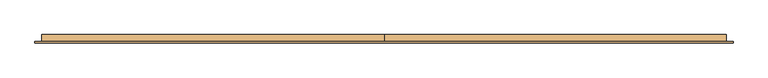
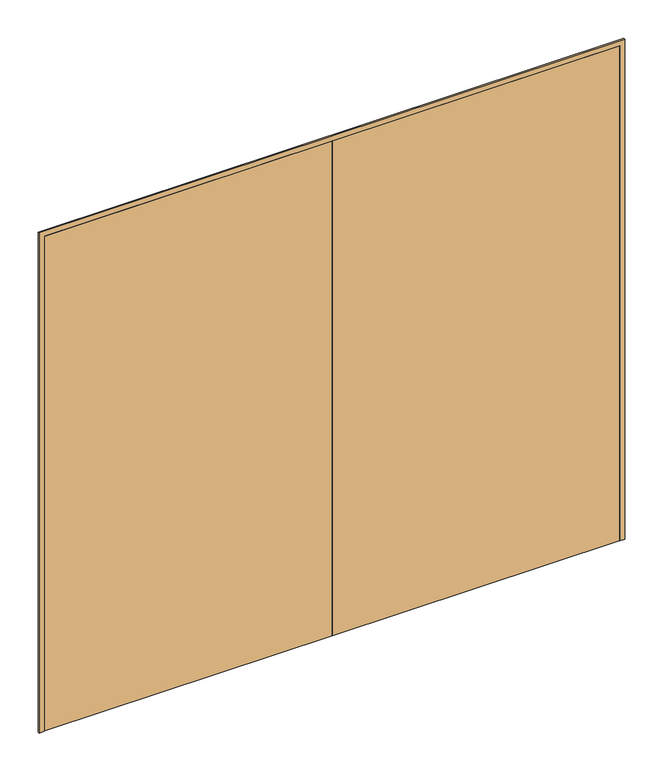
"""IFC4 building model written with IfcOpenShell, lengths in millimetres: door geometry."""

import ifcopenshell
import ifcopenshell.guid

model = None  # the IFC model being written
_history = None  # IfcOwnerHistory: only IFC2X3 demands one
_inside = {}  # id of a spatial element -> (the spatial element, [elements in it])
_under = {}  # id of a project, library or spatial element -> (it, [spatial elements below it])
_declared = {}  # id of a project -> (the project, [libraries it declares])
_typed = {}  # id of a type object -> (the type object, [elements of that type])
_made_of = {}  # id of a material, layer set ... -> (it, [elements and type objects made of it])


def new_model(schema):
    """Start an empty IFC model of exactly this schema.

    Asked for "IFC4X3", IfcOpenShell would pick the latest addendum, in which some entities
    have other attributes; the version numbers below select the first issue.
    IFC2X3 requires an IfcOwnerHistory on every rooted entity: one is made here for all.
    """
    global model, _history
    if schema == "IFC4X3":
        model = ifcopenshell.file(schema_version=(4, 3, 0, 0))
    else:
        model = ifcopenshell.file(schema=schema)
    _inside.clear()
    _under.clear()
    _declared.clear()
    _typed.clear()
    _made_of.clear()
    _history = None
    if model.schema == "IFC2X3":
        org = make("IfcOrganization", Name="unknown")
        user = make(
            "IfcPersonAndOrganization",
            ThePerson=make("IfcPerson", FamilyName="unknown"),
            TheOrganization=org,
        )
        app = make(
            "IfcApplication",
            ApplicationDeveloper=org,
            Version="unknown",
            ApplicationFullName="unknown",
            ApplicationIdentifier="unknown",
        )
        _history = make(
            "IfcOwnerHistory",
            OwningUser=user,
            OwningApplication=app,
            ChangeAction="ADDED",
            CreationDate=0,
        )
    return model


def make(cls, **values):
    """One entity of the class cls with the attributes given. An attribute that is None is left unset."""
    return model.create_entity(
        cls, **{name: value for name, value in values.items() if value is not None}
    )


def rooted(cls, **values):
    """An entity with a GlobalId (a new one), such as an element, a storey or a relation."""
    return make(cls, GlobalId=ifcopenshell.guid.new(), OwnerHistory=_history, **values)


def si_unit(unit_type, name, prefix=None):
    """IfcSIUnit, for example si_unit("LENGTHUNIT", "METRE", prefix="MILLI")."""
    return make("IfcSIUnit", UnitType=unit_type, Prefix=prefix, Name=name)


def assignment(units):
    """IfcUnitAssignment: the units of a project."""
    return None if units is None else make("IfcUnitAssignment", Units=units)


def point(xyz):
    """IfcCartesianPoint."""
    return None if xyz is None else make("IfcCartesianPoint", Coordinates=xyz)


def direction(xyz):
    """IfcDirection."""
    return None if xyz is None else make("IfcDirection", DirectionRatios=xyz)


def frame(location, z_axis=None, x_axis=None):
    """IfcAxis2Placement3D, a coordinate frame: its origin and axes. An axis left out is left unset."""
    return make(
        "IfcAxis2Placement3D",
        Location=point(location),
        Axis=direction(z_axis),
        RefDirection=direction(x_axis),
    )


def origin():
    """The frame at (0, 0, 0) with its axes left unset."""
    return frame((0.0, 0.0, 0.0))


def place(relative_to, where):
    """IfcLocalPlacement: puts the frame where relative to a parent placement (None: the world)."""
    return make(
        "IfcLocalPlacement", PlacementRelTo=relative_to, RelativePlacement=where
    )


def context(
    kind, dimensions, precision=None, world=None, true_north=None, identifier=None
):
    """IfcGeometricRepresentationContext, for example the 3D "Model" context."""
    return make(
        "IfcGeometricRepresentationContext",
        ContextIdentifier=identifier,
        ContextType=kind,
        CoordinateSpaceDimension=dimensions,
        Precision=precision,
        WorldCoordinateSystem=world,
        TrueNorth=true_north,
    )


def project(units=None, contexts=None):
    """IfcProject with its units and contexts."""
    return rooted(
        "IfcProject",
        Name="project",
        RepresentationContexts=contexts,
        UnitsInContext=assignment(units),
    )


def spatial(cls, under=None, at=None, **own):
    """A site, building, storey or space (cls), placed at a placement, below another one or the project."""
    s = rooted(cls, ObjectPlacement=at, **own)
    if under is not None:
        _under.setdefault(under.id(), (under, []))[1].append(s)
    return s


def polyline(points):
    """IfcPolyline through the points."""
    return make("IfcPolyline", Points=[point(p) for p in points])


def outline(outer, holes=None, kind="AREA"):
    """IfcArbitraryClosedProfileDef: a profile drawn as a closed curve; with holes, ...WithVoids."""
    if holes is None:
        return make("IfcArbitraryClosedProfileDef", ProfileType=kind, OuterCurve=outer)
    return make(
        "IfcArbitraryProfileDefWithVoids",
        ProfileType=kind,
        OuterCurve=outer,
        InnerCurves=holes,
    )


def extrude(swept, where, along, depth):
    """IfcExtrudedAreaSolid: the profile swept, set in the frame where, extruded along a direction by depth."""
    return make(
        "IfcExtrudedAreaSolid",
        SweptArea=swept,
        Position=where,
        ExtrudedDirection=direction(along),
        Depth=depth,
    )


def shape(context_of_items, identifier, shape_type, items):
    """IfcShapeRepresentation: the items that make up one representation, for example the "Body"."""
    return make(
        "IfcShapeRepresentation",
        ContextOfItems=context_of_items,
        RepresentationIdentifier=identifier,
        RepresentationType=shape_type,
        Items=items,
    )


def source(mapping_origin, context_of_items, identifier, shape_type, items):
    """IfcRepresentationMap: a shape defined once, which mapped items show again and again."""
    return make(
        "IfcRepresentationMap",
        MappingOrigin=mapping_origin,
        MappedRepresentation=shape(context_of_items, identifier, shape_type, items),
    )


def transform(
    local_origin,
    x_axis=None,
    y_axis=None,
    z_axis=None,
    scale=None,
    scale2=None,
    scale3=None,
    uniform=True,
):
    """IfcCartesianTransformationOperator3D, or its non-uniform kind. x_axis, y_axis, z_axis: its Axis1, 2, 3."""
    if uniform:
        return make(
            "IfcCartesianTransformationOperator3D",
            Axis1=direction(x_axis),
            Axis2=direction(y_axis),
            LocalOrigin=point(local_origin),
            Scale=scale,
            Axis3=direction(z_axis),
        )
    return make(
        "IfcCartesianTransformationOperator3DnonUniform",
        Axis1=direction(x_axis),
        Axis2=direction(y_axis),
        LocalOrigin=point(local_origin),
        Scale=scale,
        Axis3=direction(z_axis),
        Scale2=scale2,
        Scale3=scale3,
    )


def mapped(mapping_source, mapping_target):
    """IfcMappedItem: shows the shape of a source again, moved by a transform."""
    return make(
        "IfcMappedItem", MappingSource=mapping_source, MappingTarget=mapping_target
    )


def made_of(thing, what):
    """Note that an element or type object is made of a material, layer set ...; save() writes the relation."""
    if what is not None:
        _made_of.setdefault(what.id(), (what, []))[1].append(thing)
    return thing


def element(
    cls,
    number,
    at=None,
    inside=None,
    cuts=None,
    type_object=None,
    material=None,
    context=None,
    identifier="Body",
    shape_type=None,
    held_by="IfcProductDefinitionShape",
    body=None,
    shapes=None,
    **own,
):
    """One element of the class cls, such as IfcWall. Its Tag is "e" and its number.

    at: its placement. inside: the storey or other place that contains it. cuts: it is an
    opening in that element (IfcRelVoidsElement). A single representation is given by context,
    identifier, shape_type and body (its items); several are given by shapes. held_by: the class
    of the entity that holds the representations. save() writes the other relations.
    """
    e = rooted(cls, Tag="e%d" % number, ObjectPlacement=at, **own)
    if body is not None:
        shapes = [shape(context, identifier, shape_type, body)]
    if shapes is not None:
        e.Representation = make(held_by, Representations=shapes)
    if inside is not None:
        _inside.setdefault(inside.id(), (inside, []))[1].append(e)
    if cuts is not None:
        rooted(
            "IfcRelVoidsElement", RelatingBuildingElement=cuts, RelatedOpeningElement=e
        )
    if type_object is not None:
        _typed.setdefault(type_object.id(), (type_object, []))[1].append(e)
    return made_of(e, material)


def aggregate(whole, parts):
    """IfcRelAggregates: a whole, such as a stair, and the parts it consists of."""
    return rooted("IfcRelAggregates", RelatingObject=whole, RelatedObjects=parts)


def save(model, path):
    """Write the relations noted so far, then the file.

    IfcRelAggregates (storeys below a building ...), IfcRelContainedInSpatialStructure (elements
    in a storey), IfcRelDefinesByType, IfcRelAssociatesMaterial and IfcRelDeclares: one each for
    every whole, place, type object, material and project.
    """
    for whole, parts in _under.values():
        aggregate(whole, parts)
    for where, things in _inside.values():
        rooted(
            "IfcRelContainedInSpatialStructure",
            RelatedElements=things,
            RelatingStructure=where,
        )
    for kind, things in _typed.values():
        rooted("IfcRelDefinesByType", RelatedObjects=things, RelatingType=kind)
    for what, things in _made_of.values():
        rooted("IfcRelAssociatesMaterial", RelatedObjects=things, RelatingMaterial=what)
    for by, libraries in _declared.values():
        rooted("IfcRelDeclares", RelatingContext=by, RelatedDefinitions=libraries)
    model.write(path)


def door_4ee2b7a1(model_context):
    return source(origin(), model_context, "Body", "SweptSolid", [
        extrude(outline(polyline([(3250.0, -1800.0), (0.0, -1800.0), (0.0, -1768.0), (3218.0, -1768.0), (3218.0, 1768.0), (0.0, 1768.0), (0.0, 1800.0), (3250.0, 1800.0), (3250.0, -1800.0)])), frame((0.0, -10.0, 0.0), z_axis=(0.0, 1.0, 0.0), x_axis=(0.0, 0.0, 1.0)), (0.0, 0.0, 1.0), 10.0),
        extrude(outline(polyline([(1.0739506, 34.0), (1.0739506, -10.0), (-1765.0, -10.0), (-1765.0, 34.0), (1.0739506, 34.0)])), frame((0.0, 0.0, 1.753223), z_axis=(0.0, 0.0, 1.0), x_axis=(1.0, 0.0, 0.0)), (0.0, 0.0, 1.0), 3216.246777),
        extrude(outline(polyline([(1765.0, 34.0), (1765.0, -10.0), (1.0739506, -10.0), (1.0739506, 34.0), (1765.0, 34.0)])), frame((0.0, 0.0, 1.753223), z_axis=(0.0, 0.0, 1.0), x_axis=(1.0, 0.0, 0.0)), (0.0, 0.0, 1.0), 3216.246777),
    ])


if __name__ == "__main__":
    model = new_model("IFC4")
    model_context = context("Model", 3, world=origin())
    ifc_project = project(units=[si_unit("LENGTHUNIT", "METRE", prefix="MILLI")], contexts=[model_context])
    site = spatial("IfcSite", under=ifc_project)
    building = spatial("IfcBuilding", under=site)
    placement = place(None, origin())
    door_shape = door_4ee2b7a1(model_context)
    element("IfcDoor", 1, at=placement, inside=building, context=model_context, shape_type="MappedRepresentation", body=[
        mapped(door_shape, transform((0.0, 0.0, 0.0), x_axis=(1.0, 0.0, 0.0), y_axis=(0.0, 1.0, 0.0), z_axis=(0.0, 0.0, 1.0))),
    ])
    save(model, "model.ifc")
